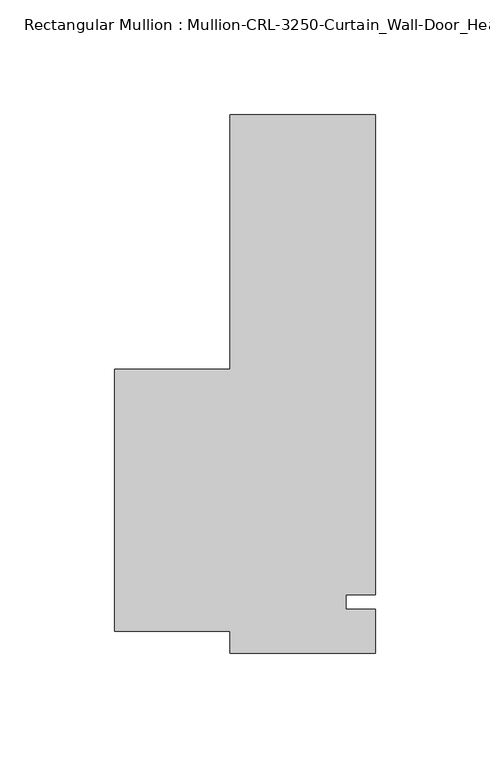
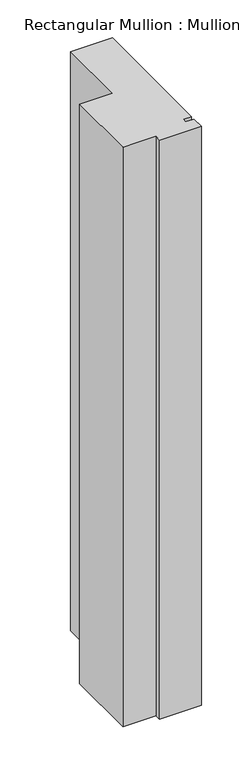
"""IFC4 building model written with IfcOpenShell, lengths in millimetres: member geometry."""

from ifc_helpers import new_model, si_unit, frame, origin, place, context, project, spatial, polyline, outline, extrude, source, transform, mapped, element, save


def member_5d445903(model_context):
    return source(origin(), model_context, "Body", "SweptSolid", [
        extrude(outline(polyline([(31.7499985, -3.175), (31.7499985, -22.2254168), (-31.7499985, -22.2254168), (-31.7499985, -12.7006825), (-82.1279058, -12.7006825), (-82.1279058, 101.5993175), (-31.7499985, 101.5993175), (-31.7499985, 212.7246169), (31.7499985, 212.7246169), (31.7499985, 3.175), (19.0499985, 3.175), (19.0499985, -3.175), (31.7499985, -3.175)])), frame((0.0, 0.0, -933.4410361), z_axis=(0.0, 0.0, 1.0), x_axis=(1.0, 0.0, 0.0)), (0.0, 0.0, 1.0), 933.4410361),
    ])


if __name__ == "__main__":
    model = new_model("IFC4")
    model_context = context("Model", 3, world=origin())
    ifc_project = project(units=[si_unit("LENGTHUNIT", "METRE", prefix="MILLI")], contexts=[model_context])
    site = spatial("IfcSite", under=ifc_project)
    building = spatial("IfcBuilding", under=site)
    placement = place(None, origin())
    member_shape = member_5d445903(model_context)
    element("IfcMember", 1, ObjectType="Rectangular Mullion : Mullion-CRL-3250-Curtain_Wall-Door_Head-8\"", at=placement, inside=building, context=model_context, shape_type="MappedRepresentation", body=[
        mapped(member_shape, transform((0.0, 0.0, 0.0), x_axis=(1.0, 0.0, 0.0), y_axis=(0.0, 1.0, 0.0), z_axis=(0.0, 0.0, 1.0))),
    ])
    save(model, "model.ifc")
